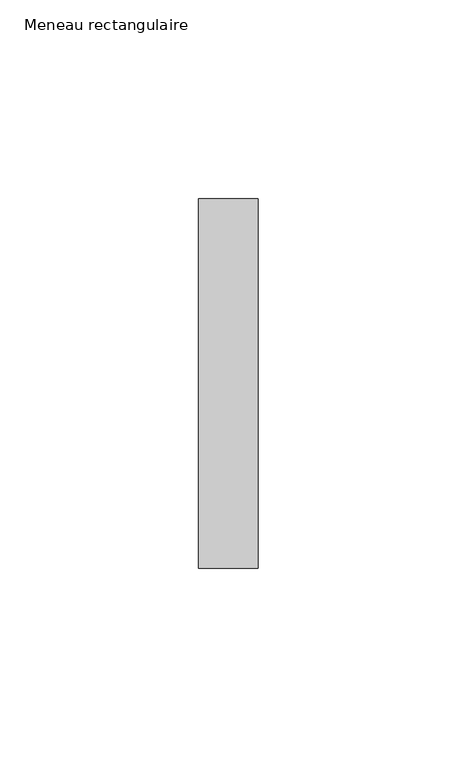
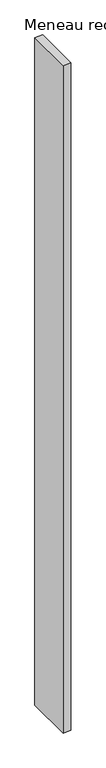
"""IFC4 building model written with IfcOpenShell, lengths in millimetres: member geometry, Meneau rectangulaire."""

from ifc_helpers import new_model, si_unit, frame, origin, place, context, project, spatial, polyline, outline, extrude, source, transform, mapped, element, save


def meneau_rectangulaire_4f788eb9(model_context):
    return source(origin(), model_context, "Body", "SweptSolid", [
        extrude(outline(polyline([(0.0, 46.5), (0.0, -46.5), (-15.0, -46.5), (-15.0, 46.5), (0.0, 46.5)])), frame((0.0, 0.0, -1344.6666669), z_axis=(0.0, 0.0, 1.0), x_axis=(1.0, 0.0, 0.0)), (0.0, 0.0, 1.0), 1344.6666669),
    ])


if __name__ == "__main__":
    model = new_model("IFC4")
    model_context = context("Model", 3, world=origin())
    ifc_project = project(units=[si_unit("LENGTHUNIT", "METRE", prefix="MILLI")], contexts=[model_context])
    site = spatial("IfcSite", under=ifc_project)
    building = spatial("IfcBuilding", under=site)
    placement = place(None, origin())
    meneau_rectangulaire_shape = meneau_rectangulaire_4f788eb9(model_context)
    element("IfcMember", 1, ObjectType="Meneau rectangulaire", at=placement, inside=building, context=model_context, shape_type="MappedRepresentation", body=[
        mapped(meneau_rectangulaire_shape, transform((0.0, 0.0, 0.0), x_axis=(1.0, 0.0, 0.0), y_axis=(0.0, 1.0, 0.0), z_axis=(0.0, 0.0, 1.0))),
    ])
    save(model, "model.ifc")
